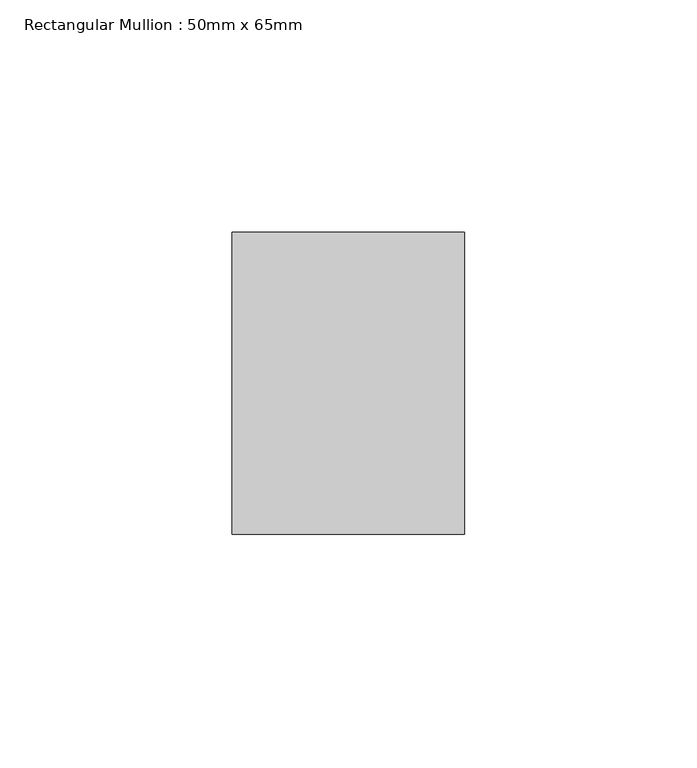
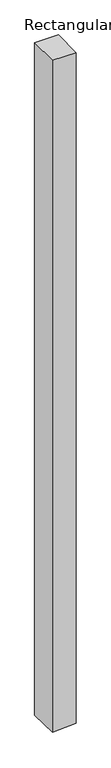
"""IFC4 building model written with IfcOpenShell, lengths in millimetres: member geometry, Rectangular Mullion : 50mm x 65mm."""

from ifc_helpers import new_model, si_unit, origin, place, context, project, spatial, faceted_brep, source, transform, mapped, element, save


def rectangular_mullion_50mm_x_65mm_eee460f9(model_context):
    return source(origin(), model_context, "Body", "Brep", [
        faceted_brep([(25.0, 32.5, 0.0), (-25.0, 32.5, 0.0), (-25.0, -32.5, 0.0), (25.0, -32.5, 0.0), (25.0, 32.5, -1498.7356246), (-25.0, 32.5, -1500.8948614), (-25.0, -32.5, -1498.6959706), (25.0, -32.5, -1496.5367338)], [[[0, 1, 2, 3]], [[1, 0, 4, 5]], [[2, 1, 5, 6]], [[3, 2, 6, 7]], [[0, 3, 7, 4]], [[4, 7, 6, 5]]]),
    ])


if __name__ == "__main__":
    model = new_model("IFC4")
    model_context = context("Model", 3, world=origin())
    ifc_project = project(units=[si_unit("LENGTHUNIT", "METRE", prefix="MILLI")], contexts=[model_context])
    site = spatial("IfcSite", under=ifc_project)
    building = spatial("IfcBuilding", under=site)
    placement = place(None, origin())
    rectangular_mullion_50mm_x_65mm_shape = rectangular_mullion_50mm_x_65mm_eee460f9(model_context)
    element("IfcMember", 1, ObjectType="Rectangular Mullion : 50mm x 65mm", at=placement, inside=building, context=model_context, shape_type="MappedRepresentation", body=[
        mapped(rectangular_mullion_50mm_x_65mm_shape, transform((0.0, 0.0, 0.0), x_axis=(1.0, 0.0, 0.0), y_axis=(0.0, 1.0, 0.0), z_axis=(0.0, 0.0, 1.0))),
    ])
    save(model, "model.ifc")
